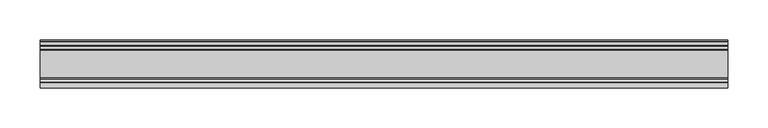
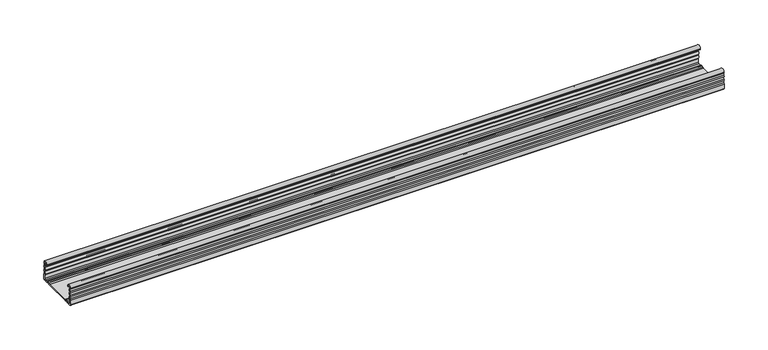
"""IFC4 building model written with IfcOpenShell, lengths in millimetres: proxy geometry."""

from ifc_helpers import new_model, si_unit, point, frame, frame_2d, origin, place, context, project, spatial, polyline, circle_curve, trimmed, segment, composite_curve, outline, extrude, source, transform, mapped, element, save


def generic_models_a31c8bdf(model_context):
    return source(origin(), model_context, "Body", "SweptSolid", [
        extrude(outline(composite_curve([segment(trimmed(circle_curve(frame_2d((30.75, 21.1911057)), 1.95), [point((29.424, 22.6208693))], [point((29.424, 19.7613421))], True, "CARTESIAN"), True, "CONTINUOUS"), segment(trimmed(circle_curve(frame_2d((28.2, 18.4415603)), 1.8), [point((29.424, 19.7613421))], [point((29.6853338, 17.4248088))], False, "CARTESIAN"), True, "CONTINUOUS"), segment(trimmed(circle_curve(frame_2d((30.75, 15.7911057)), 1.95), [point((29.6853338, 17.4248088))], [point((29.6853338, 14.1574026))], True, "CARTESIAN"), True, "CONTINUOUS"), segment(trimmed(circle_curve(frame_2d((28.2, 13.1406511)), 1.8), [point((29.6853338, 14.1574026))], [point((29.424, 11.8208693))], False, "CARTESIAN"), True, "CONTINUOUS"), segment(trimmed(circle_curve(frame_2d((30.75, 10.3911057)), 1.95), [point((29.424, 11.8208693))], [point((29.424, 8.9613421))], True, "CARTESIAN"), True, "CONTINUOUS"), segment(trimmed(circle_curve(frame_2d((28.2, 7.6415603)), 1.8), [point((29.424, 8.9613421))], [point((30.0, 7.6415603))], False, "CARTESIAN"), True, "CONTINUOUS"), segment(polyline([(30.0, 7.6415603), (30.0, 1.2)]), True, "CONTINUOUS"), segment(trimmed(circle_curve(frame_2d((28.8, 1.2)), 1.2), [point((30.0, 1.2))], [point((28.8, 0.0))], False, "CARTESIAN"), True, "CONTINUOUS"), segment(polyline([(28.8, 0.0), (23.4819519, 0.0)]), True, "CONTINUOUS"), segment(trimmed(circle_curve(frame_2d((23.4819519, 1.8)), 1.8), [point((23.4819519, 0.0))], [point((22.1621701, 0.576))], False, "CARTESIAN"), True, "CONTINUOUS"), segment(trimmed(circle_curve(frame_2d((20.7324065, -0.75)), 1.95), [point((22.1621701, 0.576))], [point((19.3026429, 0.576))], True, "CARTESIAN"), True, "CONTINUOUS"), segment(trimmed(circle_curve(frame_2d((17.9828611, 1.8)), 1.8), [point((19.3026429, 0.576))], [point((17.9828611, 0.0))], False, "CARTESIAN"), True, "CONTINUOUS"), segment(polyline([(17.9828611, 0.0), (-17.9828611, 0.0)]), True, "CONTINUOUS"), segment(trimmed(circle_curve(frame_2d((-17.9828611, 1.8)), 1.8), [point((-17.9828611, 0.0))], [point((-19.3026429, 0.576))], False, "CARTESIAN"), True, "CONTINUOUS"), segment(trimmed(circle_curve(frame_2d((-20.7324065, -0.75)), 1.95), [point((-19.3026429, 0.576))], [point((-22.1621701, 0.576))], True, "CARTESIAN"), True, "CONTINUOUS"), segment(trimmed(circle_curve(frame_2d((-23.4819519, 1.8)), 1.8), [point((-22.1621701, 0.576))], [point((-23.4819519, 0.0))], False, "CARTESIAN"), True, "CONTINUOUS"), segment(polyline([(-23.4819519, 0.0), (-28.8, 0.0)]), True, "CONTINUOUS"), segment(trimmed(circle_curve(frame_2d((-28.8, 1.2)), 1.2), [point((-28.8, 0.0))], [point((-30.0, 1.2))], False, "CARTESIAN"), True, "CONTINUOUS"), segment(polyline([(-30.0, 1.2), (-30.0, 7.6415603)]), True, "CONTINUOUS"), segment(trimmed(circle_curve(frame_2d((-28.2, 7.6415603)), 1.8), [point((-30.0, 7.6415603))], [point((-29.424, 8.9613421))], False, "CARTESIAN"), True, "CONTINUOUS"), segment(trimmed(circle_curve(frame_2d((-30.75, 10.3911057)), 1.95), [point((-29.424, 8.9613421))], [point((-29.424, 11.8208693))], True, "CARTESIAN"), True, "CONTINUOUS"), segment(trimmed(circle_curve(frame_2d((-28.2, 13.1406511)), 1.8), [point((-29.424, 11.8208693))], [point((-29.6853338, 14.1574026))], False, "CARTESIAN"), True, "CONTINUOUS"), segment(trimmed(circle_curve(frame_2d((-30.75, 15.7911057)), 1.95), [point((-29.6853338, 14.1574026))], [point((-29.6853338, 17.4248088))], True, "CARTESIAN"), True, "CONTINUOUS"), segment(trimmed(circle_curve(frame_2d((-28.2, 18.4415603)), 1.8), [point((-29.6853338, 17.4248088))], [point((-29.424, 19.7613421))], False, "CARTESIAN"), True, "CONTINUOUS"), segment(trimmed(circle_curve(frame_2d((-30.75, 21.1911057)), 1.95), [point((-29.424, 19.7613421))], [point((-29.424, 22.6208693))], True, "CARTESIAN"), True, "CONTINUOUS"), segment(trimmed(circle_curve(frame_2d((-28.2, 23.9406511)), 1.8), [point((-29.424, 22.6208693))], [point((-29.9990651, 23.8826448))], False, "CARTESIAN"), True, "CONTINUOUS"), segment(trimmed(circle_curve(frame_2d((-26.8817099, 23.8826448)), 3.1173552), [point((-29.9990651, 23.8826448))], [point((-23.7643548, 23.8826448))], False, "CARTESIAN"), True, "CONTINUOUS"), segment(polyline([(-23.7643548, 23.8826448), (-23.7643548, 23.0407729), (-24.9643548, 23.0407729), (-24.9643548, 23.8826448)]), True, "CONTINUOUS"), segment(trimmed(circle_curve(frame_2d((-26.8817099, 23.8826448)), 1.9173552), [point((-24.9643548, 23.8826448))], [point((-28.7514388, 24.3073386))], True, "CARTESIAN"), True, "CONTINUOUS"), segment(trimmed(circle_curve(frame_2d((-27.7762784, 24.0858388)), 1.0), [point((-28.7514388, 24.3073386))], [point((-28.4928378, 23.3883128))], True, "CARTESIAN"), True, "CONTINUOUS"), segment(trimmed(circle_curve(frame_2d((-30.75, 21.1911057)), 3.15), [point((-28.4928378, 23.3883128))], [point((-28.3578316, 19.1417081))], False, "CARTESIAN"), True, "CONTINUOUS"), segment(trimmed(circle_curve(frame_2d((-27.5984131, 18.4911057)), 1.0), [point((-28.3578316, 19.1417081))], [point((-28.3578316, 17.8405033))], True, "CARTESIAN"), True, "CONTINUOUS"), segment(trimmed(circle_curve(frame_2d((-30.75, 15.7911057)), 3.15), [point((-28.3578316, 17.8405033))], [point((-28.3578316, 13.7417081))], False, "CARTESIAN"), True, "CONTINUOUS"), segment(trimmed(circle_curve(frame_2d((-27.5984131, 13.0911057)), 1.0), [point((-28.3578316, 13.7417081))], [point((-28.3578316, 12.4405033))], True, "CARTESIAN"), True, "CONTINUOUS"), segment(trimmed(circle_curve(frame_2d((-30.75, 10.3911057)), 3.15), [point((-28.3578316, 12.4405033))], [point((-28.3339806, 8.3698808))], False, "CARTESIAN"), True, "CONTINUOUS"), segment(trimmed(circle_curve(frame_2d((-26.8, 7.0865634)), 2.0), [point((-28.3339806, 8.3698808))], [point((-28.8, 7.0865634))], True, "CARTESIAN"), True, "CONTINUOUS"), segment(polyline([(-28.8, 7.0865634), (-28.8, 2.4)]), True, "CONTINUOUS"), segment(trimmed(circle_curve(frame_2d((-27.6, 2.4)), 1.2), [point((-28.8, 2.4))], [point((-27.6, 1.2))], True, "CARTESIAN"), True, "CONTINUOUS"), segment(polyline([(-27.6, 1.2), (-24.382064, 1.2)]), True, "CONTINUOUS"), segment(trimmed(circle_curve(frame_2d((-24.382064, 4.2)), 3.0), [point((-24.382064, 1.2))], [point((-22.6017433, 1.7853659))], True, "CARTESIAN"), True, "CONTINUOUS"), segment(trimmed(circle_curve(frame_2d((-20.7324065, -0.75)), 3.15), [point((-22.6017433, 1.7853659))], [point((-18.8630697, 1.7853659))], False, "CARTESIAN"), True, "CONTINUOUS"), segment(trimmed(circle_curve(frame_2d((-17.082749, 4.2)), 3.0), [point((-18.8630697, 1.7853659))], [point((-17.082749, 1.2))], True, "CARTESIAN"), True, "CONTINUOUS"), segment(polyline([(-17.082749, 1.2), (17.082749, 1.2)]), True, "CONTINUOUS"), segment(trimmed(circle_curve(frame_2d((17.082749, 4.2)), 3.0), [point((17.082749, 1.2))], [point((18.8630697, 1.7853659))], True, "CARTESIAN"), True, "CONTINUOUS"), segment(trimmed(circle_curve(frame_2d((20.7324065, -0.75)), 3.15), [point((18.8630697, 1.7853659))], [point((22.6017433, 1.7853659))], False, "CARTESIAN"), True, "CONTINUOUS"), segment(trimmed(circle_curve(frame_2d((24.382064, 4.2)), 3.0), [point((22.6017433, 1.7853659))], [point((24.382064, 1.2))], True, "CARTESIAN"), True, "CONTINUOUS"), segment(polyline([(24.382064, 1.2), (27.6182196, 1.2)]), True, "CONTINUOUS"), segment(trimmed(circle_curve(frame_2d((27.6182196, 2.3817804)), 1.1817804), [point((27.6182196, 1.2))], [point((28.8, 2.3817804))], True, "CARTESIAN"), True, "CONTINUOUS"), segment(polyline([(28.8, 2.3817804), (28.8, 7.0865634)]), True, "CONTINUOUS"), segment(trimmed(circle_curve(frame_2d((26.8, 7.0865634)), 2.0), [point((28.8, 7.0865634))], [point((28.3339806, 8.3698808))], True, "CARTESIAN"), True, "CONTINUOUS"), segment(trimmed(circle_curve(frame_2d((30.75, 10.3911057)), 3.15), [point((28.3339806, 8.3698808))], [point((28.3578316, 12.4405033))], False, "CARTESIAN"), True, "CONTINUOUS"), segment(trimmed(circle_curve(frame_2d((27.5984131, 13.0911057)), 1.0), [point((28.3578316, 12.4405033))], [point((28.3578316, 13.7417081))], True, "CARTESIAN"), True, "CONTINUOUS"), segment(trimmed(circle_curve(frame_2d((30.75, 15.7911057)), 3.15), [point((28.3578316, 13.7417081))], [point((28.3578316, 17.8405033))], False, "CARTESIAN"), True, "CONTINUOUS"), segment(trimmed(circle_curve(frame_2d((27.5984131, 18.4911057)), 1.0), [point((28.3578316, 17.8405033))], [point((28.3578316, 19.1417081))], True, "CARTESIAN"), True, "CONTINUOUS"), segment(trimmed(circle_curve(frame_2d((30.75, 21.1911057)), 3.15), [point((28.3578316, 19.1417081))], [point((28.4928378, 23.3883128))], False, "CARTESIAN"), True, "CONTINUOUS"), segment(trimmed(circle_curve(frame_2d((27.7762784, 24.0858388)), 1.0), [point((28.4928378, 23.3883128))], [point((28.7514388, 24.3073386))], True, "CARTESIAN"), True, "CONTINUOUS"), segment(trimmed(circle_curve(frame_2d((26.8817099, 23.8826448)), 1.9173552), [point((28.7514388, 24.3073386))], [point((24.9643548, 23.8826448))], True, "CARTESIAN"), True, "CONTINUOUS"), segment(polyline([(24.9643548, 23.8826448), (24.9643548, 23.0407729), (23.7643548, 23.0407729), (23.7643548, 23.8826448)]), True, "CONTINUOUS"), segment(trimmed(circle_curve(frame_2d((26.8817099, 23.8826448)), 3.1173552), [point((23.7643548, 23.8826448))], [point((29.9990651, 23.8826448))], False, "CARTESIAN"), True, "CONTINUOUS"), segment(trimmed(circle_curve(frame_2d((28.2, 23.9406511)), 1.8), [point((29.9990651, 23.8826448))], [point((29.424, 22.6208693))], False, "CARTESIAN"), True, "CONTINUOUS")], self_intersect=False)), frame((-429.0409148, 0.0, 0.0), z_axis=(1.0, 0.0, 0.0), x_axis=(0.0, 1.0, 0.0)), (0.0, 0.0, 1.0), 858.0818296),
    ])


if __name__ == "__main__":
    model = new_model("IFC4")
    model_context = context("Model", 3, world=origin())
    ifc_project = project(units=[si_unit("LENGTHUNIT", "METRE", prefix="MILLI")], contexts=[model_context])
    site = spatial("IfcSite", under=ifc_project)
    building = spatial("IfcBuilding", under=site)
    placement = place(None, origin())
    generic_models_shape = generic_models_a31c8bdf(model_context)
    element("IfcBuildingElementProxy", 1, Name="Generic Models", at=placement, inside=building, context=model_context, shape_type="MappedRepresentation", body=[
        mapped(generic_models_shape, transform((0.0, 0.0, 0.0), x_axis=(1.0, 0.0, 0.0), y_axis=(0.0, 1.0, 0.0), z_axis=(0.0, 0.0, 1.0))),
    ])
    save(model, "model.ifc")
